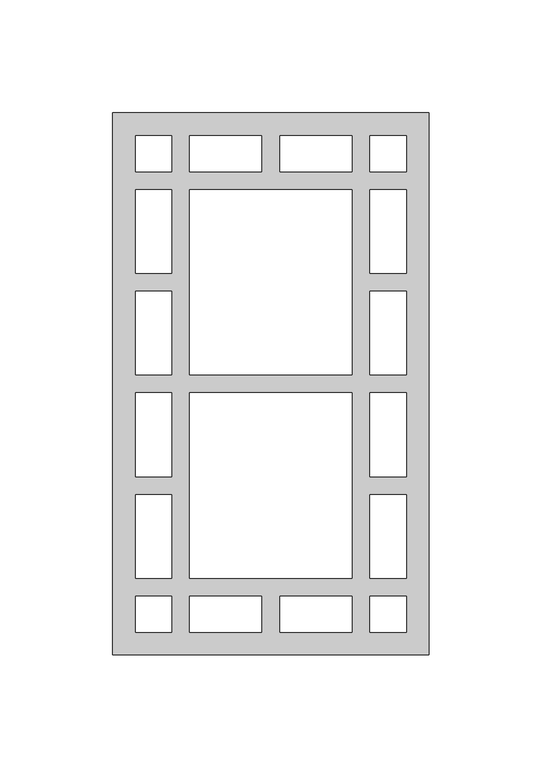
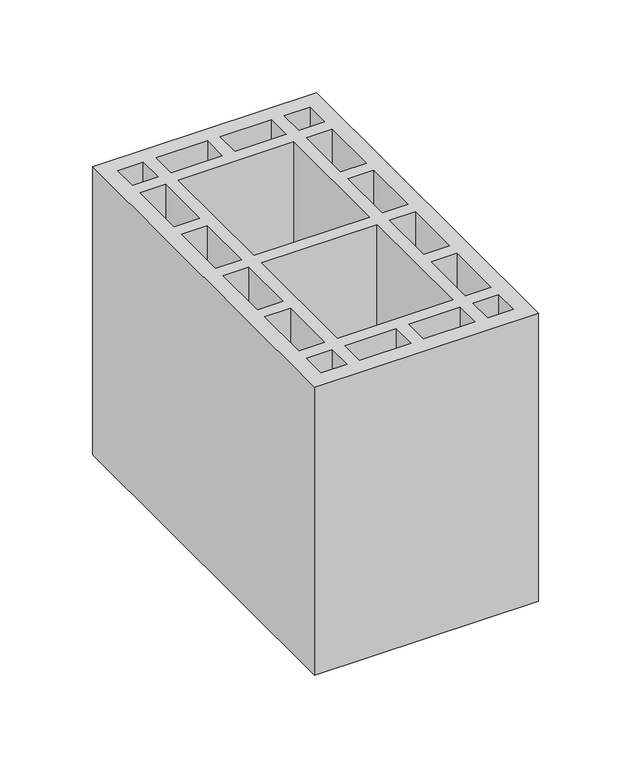
"""IFC4 building model written with IfcOpenShell, lengths in millimetres: proxy geometry."""

from ifc_helpers import new_model, si_unit, origin, origin_with_axes, place, context, project, spatial, polyline, outline, extrude, source, transform, mapped, element, save


def generic_models_9c1d3d5a(model_context):
    return source(origin(), model_context, "Body", "SweptSolid", [
        extrude(outline(polyline([(140.0, 0.0), (0.0, 0.0), (0.0, 240.0), (140.0, 240.0), (140.0, 0.0)]), holes=[polyline([(114.0, 10.0), (130.0, 10.0), (130.0, 26.0), (114.0, 26.0), (114.0, 10.0)]), polyline([(114.0, 230.0), (114.0, 214.0), (130.0, 214.0), (130.0, 230.0), (114.0, 230.0)]), polyline([(26.0, 10.0), (26.0, 26.0), (10.0, 26.0), (10.0, 10.0), (26.0, 10.0)]), polyline([(26.0, 230.0), (10.0, 230.0), (10.0, 214.0), (26.0, 214.0), (26.0, 230.0)]), polyline([(114.0, 34.0), (130.0, 34.0), (130.0, 71.0), (114.0, 71.0), (114.0, 34.0)]), polyline([(114.0, 79.0), (130.0, 79.0), (130.0, 116.0), (114.0, 116.0), (114.0, 79.0)]), polyline([(114.0, 124.0), (130.0, 124.0), (130.0, 161.0), (114.0, 161.0), (114.0, 124.0)]), polyline([(114.0, 169.0), (130.0, 169.0), (130.0, 206.0), (114.0, 206.0), (114.0, 169.0)]), polyline([(26.0, 34.0), (26.0, 71.0), (10.0, 71.0), (10.0, 34.0), (26.0, 34.0)]), polyline([(26.0, 79.0), (26.0, 116.0), (10.0, 116.0), (10.0, 79.0), (26.0, 79.0)]), polyline([(26.0, 124.0), (26.0, 161.0), (10.0, 161.0), (10.0, 124.0), (26.0, 124.0)]), polyline([(26.0, 169.0), (26.0, 206.0), (10.0, 206.0), (10.0, 169.0), (26.0, 169.0)]), polyline([(106.0, 116.0), (34.0, 116.0), (34.0, 34.0), (106.0, 34.0), (106.0, 116.0)]), polyline([(106.0, 124.0), (106.0, 206.0), (34.0, 206.0), (34.0, 124.0), (106.0, 124.0)]), polyline([(106.0, 10.0), (106.0, 26.0), (74.0, 26.0), (74.0, 10.0), (106.0, 10.0)]), polyline([(34.0, 10.0), (66.0, 10.0), (66.0, 26.0), (34.0, 26.0), (34.0, 10.0)]), polyline([(106.0, 230.0), (74.0, 230.0), (74.0, 214.0), (106.0, 214.0), (106.0, 230.0)]), polyline([(34.0, 230.0), (34.0, 214.0), (66.0, 214.0), (66.0, 230.0), (34.0, 230.0)])]), origin_with_axes(), (0.0, 0.0, 1.0), 190.0),
    ])


if __name__ == "__main__":
    model = new_model("IFC4")
    model_context = context("Model", 3, world=origin())
    ifc_project = project(units=[si_unit("LENGTHUNIT", "METRE", prefix="MILLI")], contexts=[model_context])
    site = spatial("IfcSite", under=ifc_project)
    building = spatial("IfcBuilding", under=site)
    placement = place(None, origin())
    generic_models_shape = generic_models_9c1d3d5a(model_context)
    element("IfcBuildingElementProxy", 1, Name="Generic Models", at=placement, inside=building, context=model_context, shape_type="MappedRepresentation", body=[
        mapped(generic_models_shape, transform((0.0, 0.0, 0.0), x_axis=(1.0, 0.0, 0.0), y_axis=(0.0, 1.0, 0.0), z_axis=(0.0, 0.0, 1.0))),
    ])
    save(model, "model.ifc")
